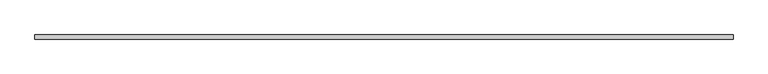
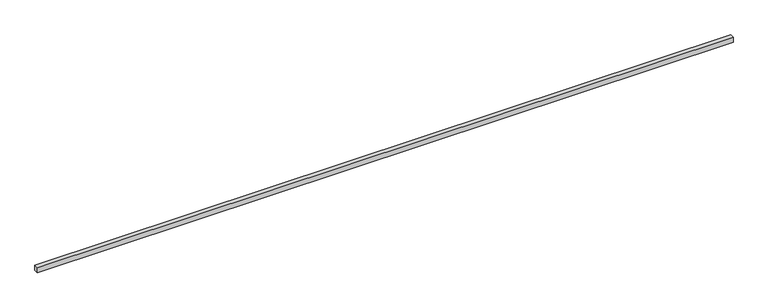
"""IFC4 building model written with IfcOpenShell, lengths in millimetres: proxy geometry."""

from ifc_helpers import new_model, si_unit, frame, origin, place, context, project, spatial, polyline, outline, extrude, source, transform, mapped, element, save


def generic_models_fb1b828d(model_context):
    return source(origin(), model_context, "Body", "SweptSolid", [
        extrude(outline(polyline([(40.0, 0.0), (-40.0, 0.0), (-40.0, 13416.6553505), (40.0, 13416.6553505), (40.0, 0.0)])), frame((13416.6553505, 0.0, 0.0), z_axis=(0.0, -1.9783474858313244e-12, 1.0), x_axis=(0.0, 1.0, 1.9783474858313244e-12)), (0.0, 0.0, 1.0), 100.0),
    ])


if __name__ == "__main__":
    model = new_model("IFC4")
    model_context = context("Model", 3, world=origin())
    ifc_project = project(units=[si_unit("LENGTHUNIT", "METRE", prefix="MILLI")], contexts=[model_context])
    site = spatial("IfcSite", under=ifc_project)
    building = spatial("IfcBuilding", under=site)
    placement = place(None, origin())
    generic_models_shape = generic_models_fb1b828d(model_context)
    element("IfcBuildingElementProxy", 1, Name="Generic Models", at=placement, inside=building, context=model_context, shape_type="MappedRepresentation", body=[
        mapped(generic_models_shape, transform((0.0, 0.0, 0.0), x_axis=(1.0, 0.0, 0.0), y_axis=(0.0, 1.0, 0.0), z_axis=(0.0, 0.0, 1.0))),
    ])
    save(model, "model.ifc")
